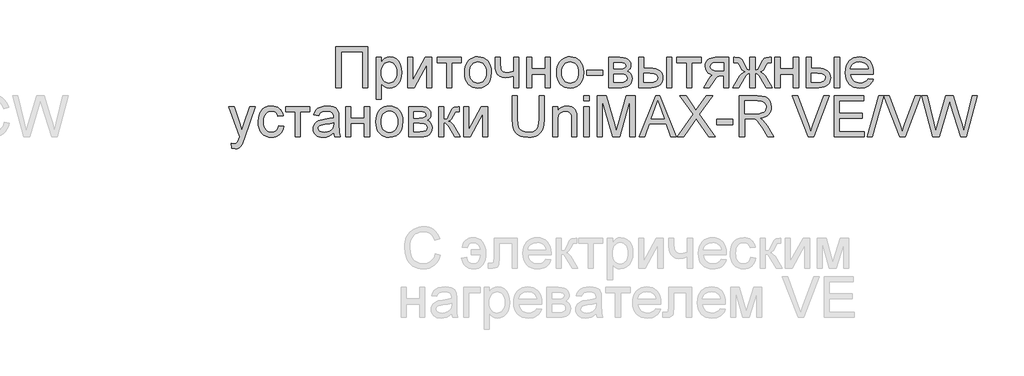
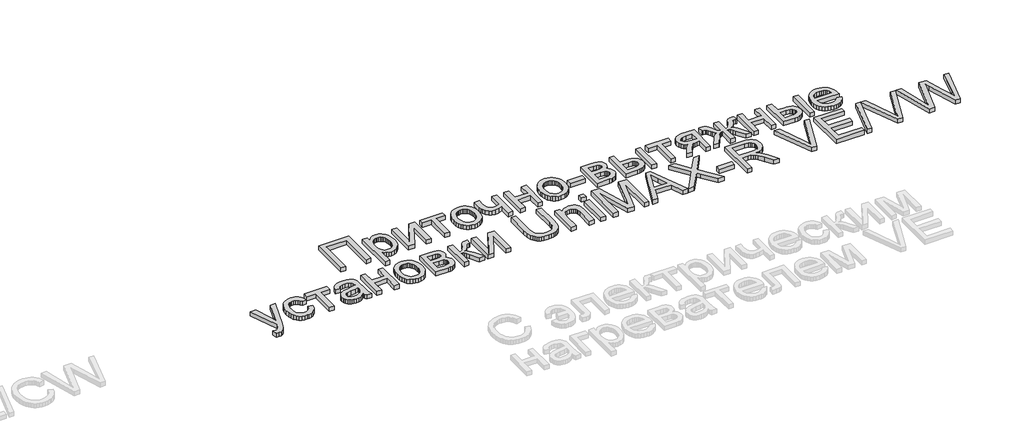
# One storey, part 53 of 74: 1 proxy.
"""IFC4 building model written with IfcOpenShell, lengths in millimetres."""

from ifc_helpers import new_model, si_unit, origin, origin_with_axes, place, context, project, spatial, polyline, outline, extrude, element, save

model = new_model("IFC4")

# Units and contexts
model_context = context("Model", 3, world=origin())
ifc_project = project(units=[si_unit("LENGTHUNIT", "METRE", prefix="MILLI")], contexts=[model_context])

# Site, building, storey
site = spatial("IfcSite", under=ifc_project)
building = spatial("IfcBuilding", under=site)
storey = spatial("IfcBuildingStorey", under=building, Elevation=0.0)

# Proxy
placement = place(None, origin())
element("IfcBuildingElementProxy", 1, Name="Generic Models", at=placement, inside=storey, context=model_context, shape_type="SweptSolid", body=[
    extrude(outline(polyline([(45266.2956204, -23404.5029647), (45617.589482, -23404.5029647), (45617.589482, -23854.1591075), (45561.3824642, -23854.1591075), (45561.3824642, -23460.7099826), (45322.5026383, -23460.7099826), (45322.5026383, -23854.1591075), (45266.2956204, -23854.1591075), (45266.2956204, -23404.5029647)])), origin_with_axes(), (0.0, 0.0, 1.0), 50.0),
    extrude(outline(polyline([(45708.925886, -23980.6248977), (45708.925886, -23523.9428777), (45765.1329039, -23523.9428777), (45765.1329039, -23579.0521022), (45783.4660523, -23551.8679952), (45803.9947873, -23532.4507759), (45827.9266816, -23520.8004443), (45856.4693079, -23516.9170004), (45894.4804015, -23522.3510774), (45927.7160942, -23538.6533081), (45954.7766995, -23564.8356787), (45974.2625308, -23599.9101752), (45986.0363642, -23641.3244281), (45989.9609753, -23686.526068), (45985.5286348, -23734.5956929), (45972.2316132, -23777.5880237), (45950.4953055, -23813.3211961), (45920.7451066, -23839.6133461), (45886.096005, -23855.7920751), (45849.6629893, -23861.1849848), (45823.8236791, -23857.5759892), (45800.756297, -23846.7490027), (45781.0097397, -23830.4056046), (45765.1329039, -23810.2473749), (45765.1329039, -23980.6248977), (45708.925886, -23980.6248977)]), holes=[polyline([(45765.1329039, -23691.6856966), (45766.6526615, -23718.7737467), (45771.2119344, -23742.0744098), (45778.8107225, -23761.5876861), (45789.4490259, -23777.3135753), (45802.255471, -23789.4167467), (45816.3586845, -23798.061869), (45831.7586664, -23803.2489425), (45848.4554167, -23804.9779669), (45865.3923092, -23803.1871916), (45881.0736006, -23797.8148655), (45895.4992909, -23788.8609888), (45908.6693801, -23776.3255613), (45919.6438827, -23760.0301918), (45927.4828131, -23739.7964887), (45932.1861713, -23715.6244521), (45933.7539574, -23687.514082), (45932.223908, -23660.6593129), (45927.6337597, -23637.399817), (45919.9835125, -23617.7355942), (45909.2731664, -23601.6666445), (45896.4358458, -23589.1792456), (45882.404675, -23580.2596749), (45867.1796539, -23574.9079324), (45850.7607826, -23573.1240183), (45834.3933704, -23575.0211424), (45818.9933885, -23580.7125146), (45804.560837, -23590.198135), (45791.0957158, -23603.4780035), (45779.7369856, -23620.3737288), (45771.6236069, -23640.7069194), (45766.7555796, -23664.4775753), (45765.1329039, -23691.6856966)])]), origin_with_axes(), (0.0, 0.0, 1.0), 50.0),
    extrude(outline(polyline([(46053.1938704, -23523.9428777), (46109.4008882, -23523.9428777), (46109.4008882, -23775.7766647), (46247.5032875, -23523.9428777), (46320.1772052, -23523.9428777), (46320.1772052, -23854.1591075), (46263.9701873, -23854.1591075), (46263.9701873, -23603.8622312), (46126.7460226, -23854.1591075), (46053.1938704, -23854.1591075), (46053.1938704, -23523.9428777)])), origin_with_axes(), (0.0, 0.0, 1.0), 50.0),
    extrude(outline(polyline([(46376.384223, -23523.9428777), (46643.3675578, -23523.9428777), (46643.3675578, -23580.1498955), (46537.9793993, -23580.1498955), (46537.9793993, -23854.1591075), (46481.7723815, -23854.1591075), (46481.7723815, -23580.1498955), (46376.384223, -23580.1498955), (46376.384223, -23523.9428777)])), origin_with_axes(), (0.0, 0.0, 1.0), 50.0),
    extrude(outline(polyline([(46678.496944, -23689.0509926), (46681.5364592, -23646.2850817), (46690.655005, -23609.4335323), (46705.8525812, -23578.4963443), (46727.1291879, -23553.4735179), (46748.54988, -23537.4800415), (46772.1936036, -23526.0561298), (46798.0603587, -23519.2017828), (46826.1501452, -23516.9170004), (46857.1593758, -23519.6992204), (46885.1977032, -23528.0458802), (46910.2651275, -23541.9569799), (46932.3616486, -23561.4325195), (46950.3963345, -23585.8138229), (46963.2782529, -23614.4422143), (46971.007404, -23647.3176935), (46973.5837877, -23684.4402607), (46969.0279454, -23741.22362), (46963.3331426, -23764.5311444), (46955.3604186, -23784.4492319), (46932.9791574, -23816.8204123), (46902.2821117, -23841.0404774), (46865.8216512, -23856.1488579), (46826.1501452, -23861.1849848), (46794.6880748, -23858.4130567), (46766.3890214, -23850.0972723), (46741.2529851, -23836.2376316), (46719.2799657, -23816.8341348), (46701.4373937, -23792.2161196), (46688.6926994, -23762.7129242), (46681.0458828, -23728.3245485), (46678.496944, -23689.0509926)]), holes=[polyline([(46734.7039618, -23688.9412133), (46736.3300682, -23716.2042242), (46741.2083872, -23739.8102111), (46749.338919, -23759.7591741), (46760.7216634, -23776.051113), (46774.5675817, -23788.7066116), (46790.0876347, -23797.7462534), (46807.2818225, -23803.1700386), (46826.1501452, -23804.9779669), (46844.9224109, -23803.1597467), (46862.0479866, -23797.7050862), (46877.5268724, -23788.6139853), (46891.3590682, -23775.886444), (46902.7418127, -23759.4332667), (46910.8723444, -23739.1652575), (46915.7506635, -23715.0824166), (46917.3767698, -23687.184744), (46915.7403717, -23660.7862453), (46910.8311772, -23637.7977671), (46902.6491864, -23618.2193094), (46891.1943992, -23602.0508722), (46877.3107444, -23589.3953736), (46861.8421504, -23580.3557318), (46844.7886173, -23574.9319467), (46826.1501452, -23573.1240183), (46807.2818225, -23574.9250854), (46790.0876347, -23580.3282869), (46774.5675817, -23589.3336227), (46760.7216634, -23601.9410929), (46749.338919, -23618.1850034), (46741.2083872, -23638.0996603), (46736.3300682, -23661.6850636), (46734.7039618, -23688.9412133)])]), origin_with_axes(), (0.0, 0.0, 1.0), 50.0),
    extrude(outline(polyline([(47015.7390511, -23523.9428777), (47071.9460689, -23523.9428777), (47071.9460689, -23587.2855521), (47076.5019112, -23646.6761706), (47084.2550765, -23663.9389705), (47098.4028879, -23678.8415148), (47117.9436089, -23689.1333271), (47141.8755033, -23692.5639312), (47176.2638789, -23688.3099821), (47219.4894908, -23675.5481348), (47219.4894908, -23523.9428777), (47275.6965086, -23523.9428777), (47275.6965086, -23854.1591075), (47219.4894908, -23854.1591075), (47219.4894908, -23729.4497867), (47171.5159228, -23743.9406585), (47126.8357348, -23748.7709491), (47092.8453092, -23743.7348222), (47063.1088327, -23728.6264417), (47039.9316713, -23706.2177356), (47025.6191909, -23679.2806321), (47018.209086, -23648.6247537), (47015.7390511, -23615.059723), (47015.7390511, -23523.9428777)])), origin_with_axes(), (0.0, 0.0, 1.0), 50.0),
    extrude(outline(polyline([(47360.0070354, -23523.9428777), (47416.2140533, -23523.9428777), (47416.2140533, -23650.4086678), (47563.7574751, -23650.4086678), (47563.7574751, -23523.9428777), (47619.964493, -23523.9428777), (47619.964493, -23854.1591075), (47563.7574751, -23854.1591075), (47563.7574751, -23706.6156857), (47416.2140533, -23706.6156857), (47416.2140533, -23854.1591075), (47360.0070354, -23854.1591075), (47360.0070354, -23523.9428777)])), origin_with_axes(), (0.0, 0.0, 1.0), 50.0),
    extrude(outline(polyline([(47690.2232653, -23689.0509926), (47693.2627806, -23646.2850817), (47702.3813263, -23609.4335323), (47717.5789025, -23578.4963443), (47738.8555093, -23553.4735179), (47760.2762014, -23537.4800415), (47783.9199249, -23526.0561298), (47809.78668, -23519.2017828), (47837.8764665, -23516.9170004), (47868.8856971, -23519.6992204), (47896.9240246, -23528.0458802), (47921.9914488, -23541.9569799), (47944.08797, -23561.4325195), (47962.1226558, -23585.8138229), (47975.0045743, -23614.4422143), (47982.7337253, -23647.3176935), (47985.310109, -23684.4402607), (47980.7542668, -23741.22362), (47975.0594639, -23764.5311444), (47967.08674, -23784.4492319), (47944.7054787, -23816.8204123), (47914.0084331, -23841.0404774), (47877.5479725, -23856.1488579), (47837.8764665, -23861.1849848), (47806.4143961, -23858.4130567), (47778.1153428, -23850.0972723), (47752.9793064, -23836.2376316), (47731.006287, -23816.8341348), (47713.163715, -23792.2161196), (47700.4190207, -23762.7129242), (47692.7722042, -23728.3245485), (47690.2232653, -23689.0509926)]), holes=[polyline([(47746.4302832, -23688.9412133), (47748.0563895, -23716.2042242), (47752.9347086, -23739.8102111), (47761.0652403, -23759.7591741), (47772.4479848, -23776.051113), (47786.293903, -23788.7066116), (47801.813956, -23797.7462534), (47819.0081439, -23803.1700386), (47837.8764665, -23804.9779669), (47856.6487322, -23803.1597467), (47873.774308, -23797.7050862), (47889.2531938, -23788.6139853), (47903.0853896, -23775.886444), (47914.468134, -23759.4332667), (47922.5986658, -23739.1652575), (47927.4769848, -23715.0824166), (47929.1030912, -23687.184744), (47927.466693, -23660.7862453), (47922.5574985, -23637.7977671), (47914.3755077, -23618.2193094), (47902.9207206, -23602.0508722), (47889.0370657, -23589.3953736), (47873.5684717, -23580.3557318), (47856.5149387, -23574.9319467), (47837.8764665, -23573.1240183), (47819.0081439, -23574.9250854), (47801.813956, -23580.3282869), (47786.293903, -23589.3336227), (47772.4479848, -23601.9410929), (47761.0652403, -23618.1850034), (47752.9347086, -23638.0996603), (47748.0563895, -23661.6850636), (47746.4302832, -23688.9412133)])]), origin_with_axes(), (0.0, 0.0, 1.0), 50.0),
    extrude(outline(polyline([(48020.4394952, -23720.6674401), (48020.4394952, -23664.4604223), (48196.086426, -23664.4604223), (48196.086426, -23720.6674401), (48020.4394952, -23720.6674401)])), origin_with_axes(), (0.0, 0.0, 1.0), 50.0),
    extrude(outline(polyline([(48259.3193211, -23523.9428777), (48383.1504073, -23523.9428777), (48422.9591374, -23525.8228487), (48451.0489239, -23531.4627619), (48471.7148831, -23542.1113571), (48489.2521314, -23559.0173742), (48501.231801, -23581.0418526), (48505.2250242, -23607.0458318), (48502.8098789, -23627.9999617), (48495.564443, -23646.0723842), (48483.4612716, -23661.3454338), (48466.4729201, -23673.9014448), (48487.2761034, -23685.5792212), (48504.2370102, -23704.3652094), (48515.5168365, -23728.7773883), (48519.2767786, -23757.333737), (48516.1549289, -23780.3393682), (48509.7534216, -23800.1751212), (48500.0722568, -23816.840996), (48487.1114344, -23830.3369926), (48470.8503709, -23840.7591679), (48451.2684826, -23848.2035788), (48428.3657695, -23852.6702254), (48402.1422317, -23854.1591075), (48259.3193211, -23854.1591075), (48259.3193211, -23523.9428777)]), holes=[polyline([(48315.5263389, -23797.9520897), (48384.4677592, -23797.9520897), (48422.0397355, -23795.4134426), (48445.614847, -23787.7975015), (48458.266915, -23773.9515833), (48463.0697608, -23752.723005), (48460.6683379, -23738.6575281), (48453.4640692, -23725.6623997), (48442.4038016, -23715.4940891), (48428.4343816, -23709.9090656), (48378.9787927, -23706.6156857), (48315.5263389, -23706.6156857), (48315.5263389, -23797.9520897)]), polyline([(48315.5263389, -23650.4086678), (48371.0746808, -23650.4086678), (48416.9075518, -23647.5544052), (48439.1927561, -23636.1373547), (48446.5616938, -23626.6963322), (48449.0180063, -23615.4988403), (48444.7091675, -23598.7300474), (48431.7826512, -23587.9442281), (48408.4270984, -23582.0984787), (48372.8311501, -23580.1498955), (48315.5263389, -23580.1498955), (48315.5263389, -23650.4086678)])]), origin_with_axes(), (0.0, 0.0, 1.0), 50.0),
    extrude(outline(polyline([(48898.6741491, -23523.9428777), (48954.881167, -23523.9428777), (48954.881167, -23854.1591075), (48898.6741491, -23854.1591075), (48898.6741491, -23523.9428777)])), origin_with_axes(), (0.0, 0.0, 1.0), 50.0),
    extrude(outline(polyline([(48589.5355509, -23523.9428777), (48645.7425688, -23523.9428777), (48645.7425688, -23643.3827906), (48715.2328858, -23643.3827906), (48747.2095468, -23645.1426905), (48775.2959027, -23650.4223903), (48799.4919535, -23659.2218898), (48819.7976993, -23671.5411892), (48835.8632184, -23686.9548935), (48847.3385891, -23705.0376078), (48854.2238116, -23725.7893321), (48856.5188857, -23749.2100664), (48854.5943168, -23770.1058761), (48848.8206101, -23789.4304691), (48839.1977656, -23807.1838454), (48825.7257832, -23823.366005), (48808.0272965, -23836.8379874), (48785.7249392, -23846.4608319), (48758.8187111, -23852.2345386), (48727.3086123, -23854.1591075), (48589.5355509, -23854.1591075), (48589.5355509, -23523.9428777)]), holes=[polyline([(48645.7425688, -23797.9520897), (48703.4864973, -23797.9520897), (48748.2490198, -23795.0017702), (48778.0266635, -23786.1508115), (48794.7405668, -23771.042431), (48800.3118679, -23749.3198457), (48796.1814205, -23730.9592525), (48783.7900785, -23714.7393562), (48773.0351346, -23708.1114291), (48757.2920923, -23703.3771954), (48710.8417125, -23699.5898085), (48645.7425688, -23699.5898085), (48645.7425688, -23797.9520897)])]), origin_with_axes(), (0.0, 0.0, 1.0), 50.0),
    extrude(outline(polyline([(49011.0881848, -23523.9428777), (49278.0715196, -23523.9428777), (49278.0715196, -23580.1498955), (49172.6833612, -23580.1498955), (49172.6833612, -23854.1591075), (49116.4763433, -23854.1591075), (49116.4763433, -23580.1498955), (49011.0881848, -23580.1498955), (49011.0881848, -23523.9428777)])), origin_with_axes(), (0.0, 0.0, 1.0), 50.0),
    extrude(outline(polyline([(49580.1842406, -23523.9428777), (49580.1842406, -23854.1591075), (49523.9772227, -23854.1591075), (49523.9772227, -23727.6933174), (49493.3487892, -23727.6933174), (49468.9228879, -23729.4772315), (49451.6326431, -23734.8289739), (49434.9736295, -23750.3901942), (49412.4414217, -23782.8025419), (49367.6514543, -23854.1591075), (49302.6620899, -23854.1591075), (49359.0886665, -23763.9204969), (49384.0085748, -23731.535594), (49395.7275184, -23722.0945715), (49406.9524551, -23717.1545015), (49386.3139407, -23712.5917981), (49368.529689, -23705.3806682), (49353.5996999, -23695.521112), (49341.5239734, -23683.0131294), (49325.5510806, -23653.2629305), (49320.226783, -23619.341117), (49322.0450032, -23599.1005527), (49327.4996637, -23580.8634612), (49336.5907647, -23564.6298425), (49349.3183059, -23550.3996966), (49365.4901737, -23538.8248383), (49384.9142542, -23530.5570824), (49407.5905475, -23525.5964289), (49433.5190534, -23523.9428777), (49580.1842406, -23523.9428777)]), holes=[polyline([(49523.9772227, -23580.1498955), (49449.8761738, -23580.1498955), (49411.6043543, -23583.4021082), (49398.6744074, -23587.4673741), (49389.881769, -23593.1587463), (49379.7957929, -23607.2791129), (49376.4338009, -23623.6225109), (49381.3875932, -23645.043203), (49396.2489703, -23659.90458), (49423.7075256, -23668.5908697), (49466.4528529, -23671.4862995), (49523.9772227, -23671.4862995), (49523.9772227, -23580.1498955)])]), origin_with_axes(), (0.0, 0.0, 1.0), 50.0),
    extrude(outline(polyline([(49868.2452071, -23523.9428777), (49868.2452071, -23664.4604223), (49888.0740989, -23661.5649924), (49901.0143376, -23652.8787028), (49932.0269988, -23592.7745187), (49951.375606, -23555.3123217), (49969.0226336, -23535.1403695), (49990.4570481, -23526.7422506), (50021.6069335, -23523.9428777), (50043.8921379, -23523.9428777), (50043.8921379, -23580.4792335), (50028.4132521, -23580.1498955), (50009.860545, -23581.6044717), (49999.4315085, -23585.9682001), (49979.3418908, -23622.4149382), (49967.1975522, -23646.8408396), (49956.0137828, -23662.374615), (49942.3325336, -23672.9957653), (49922.6957556, -23682.6837914), (49941.1867118, -23690.5947645), (49959.4443869, -23704.5573232), (49977.468781, -23724.5714676), (49995.2598939, -23750.6371977), (50057.9438923, -23854.1591075), (49993.5034246, -23854.1591075), (49931.8074402, -23752.064329), (49914.9425903, -23725.2644497), (49900.3556616, -23709.6346173), (49885.6040639, -23702.1010107), (49868.2452071, -23699.5898085), (49868.2452071, -23854.1591075), (49812.0381892, -23854.1591075), (49812.0381892, -23699.5898085), (49794.8165566, -23702.046121), (49780.037514, -23709.4150586), (49765.340806, -23724.9351117), (49748.3661768, -23751.8447704), (49686.6701924, -23854.1591075), (49622.339504, -23854.1591075), (49684.8039437, -23750.6371977), (49702.7460033, -23724.5714676), (49720.893899, -23704.5573232), (49739.2476311, -23690.5947645), (49757.8071993, -23682.6837914), (49736.34534, -23671.9254169), (49722.4582545, -23660.2888077), (49709.8336314, -23639.8424072), (49692.159159, -23602.6546585), (49684.9960576, -23590.2770389), (49677.3389492, -23583.6628341), (49653.0777169, -23579.8205575), (49636.3912584, -23580.1498955), (49636.3912584, -23523.9428777), (49644.844267, -23523.9428777), (49694.1351869, -23527.4558163), (49707.6654896, -23532.9447829), (49719.7137712, -23542.3858054), (49732.5305082, -23560.691509), (49748.3661768, -23592.7745187), (49779.0495, -23652.4944751), (49791.9897388, -23661.4689355), (49812.0381892, -23664.4604223), (49812.0381892, -23523.9428777), (49868.2452071, -23523.9428777)])), origin_with_axes(), (0.0, 0.0, 1.0), 50.0),
    extrude(outline(polyline([(50086.0474013, -23523.9428777), (50142.2544191, -23523.9428777), (50142.2544191, -23650.4086678), (50289.797841, -23650.4086678), (50289.797841, -23523.9428777), (50346.0048588, -23523.9428777), (50346.0048588, -23854.1591075), (50289.797841, -23854.1591075), (50289.797841, -23706.6156857), (50142.2544191, -23706.6156857), (50142.2544191, -23854.1591075), (50086.0474013, -23854.1591075), (50086.0474013, -23523.9428777)])), origin_with_axes(), (0.0, 0.0, 1.0), 50.0),
    extrude(outline(polyline([(50739.4539838, -23523.9428777), (50795.6610016, -23523.9428777), (50795.6610016, -23854.1591075), (50739.4539838, -23854.1591075), (50739.4539838, -23523.9428777)])), origin_with_axes(), (0.0, 0.0, 1.0), 50.0),
    extrude(outline(polyline([(50430.3153856, -23523.9428777), (50486.5224035, -23523.9428777), (50486.5224035, -23643.3827906), (50556.0127204, -23643.3827906), (50587.9893814, -23645.1426905), (50616.0757373, -23650.4223903), (50640.2717882, -23659.2218898), (50660.5775339, -23671.5411892), (50676.643053, -23686.9548935), (50688.1184238, -23705.0376078), (50695.0036462, -23725.7893321), (50697.2987204, -23749.2100664), (50695.3741515, -23770.1058761), (50689.6004448, -23789.4304691), (50679.9776002, -23807.1838454), (50666.5056178, -23823.366005), (50648.8071312, -23836.8379874), (50626.5047738, -23846.4608319), (50599.5985458, -23852.2345386), (50568.0884469, -23854.1591075), (50430.3153856, -23854.1591075), (50430.3153856, -23523.9428777)]), holes=[polyline([(50486.5224035, -23797.9520897), (50544.2663319, -23797.9520897), (50589.0288545, -23795.0017702), (50618.8064982, -23786.1508115), (50635.5204015, -23771.042431), (50641.0917025, -23749.3198457), (50636.9612552, -23730.9592525), (50624.5699131, -23714.7393562), (50613.8149692, -23708.1114291), (50598.0719269, -23703.3771954), (50551.6215472, -23699.5898085), (50486.5224035, -23699.5898085), (50486.5224035, -23797.9520897)])]), origin_with_axes(), (0.0, 0.0, 1.0), 50.0),
    extrude(outline(polyline([(51111.1668011, -23755.7968263), (51166.2760256, -23762.8227035), (51157.8264477, -23784.8952104), (51146.419689, -23804.3467358), (51132.0557495, -23821.1772796), (51114.7346293, -23835.3868418), (51094.6347198, -23846.6735294), (51071.9344124, -23854.735449), (51046.633707, -23859.5726008), (51018.7326037, -23861.1849848), (50983.8570823, -23858.4027648), (50952.7826702, -23850.056105), (50925.5093675, -23836.1450053), (50902.0371741, -23816.6694658), (50883.1619902, -23792.1715218), (50869.6797161, -23763.1932088), (50861.5903516, -23729.7345268), (50858.8938967, -23691.7954759), (50861.6177964, -23652.5699484), (50869.7894954, -23617.9963201), (50883.4089937, -23588.074591), (50902.4762914, -23562.8047611), (50925.8867339, -23542.7288658), (50952.5356667, -23528.3889406), (50982.4230898, -23519.7849855), (51015.5490031, -23516.9170004), (51047.6079986, -23519.7781243), (51076.600034, -23528.3614958), (51102.5251093, -23542.6671149), (51125.3832245, -23562.6949818), (51144.0422803, -23587.909922), (51157.3701773, -23617.7767615), (51165.3669155, -23652.2955001), (51168.0324949, -23691.4661379), (51167.7031569, -23706.6156857), (50915.1009146, -23706.6156857), (50918.3565579, -23729.0449754), (50924.8301079, -23748.6886146), (50934.5215645, -23765.5466032), (50947.4309278, -23779.6189413), (50962.8446321, -23790.713515), (50980.0491117, -23798.6382105), (50999.0443667, -23803.3930278), (51019.8303971, -23804.9779669), (51049.745265, -23802.0413698), (51074.9396216, -23793.2315784), (51095.413467, -23777.9996962), (51111.1668011, -23755.7968263)]), holes=[polyline([(50915.1009146, -23650.4086678), (51111.8254771, -23650.4086678), (51104.2232583, -23620.7133586), (51089.3207141, -23599.4710579), (51073.9927749, -23587.9442281), (51056.5515835, -23579.7107782), (51036.9971401, -23574.7707083), (51015.3294445, -23573.1240183), (50977.4418526, -23578.3797038), (50946.1135758, -23594.1467603), (50933.6570522, -23605.5466578), (50924.3361009, -23618.7236082), (50918.1507216, -23633.6776116), (50915.1009146, -23650.4086678)])]), origin_with_axes(), (0.0, 0.0, 1.0), 50.0),
    extrude(outline(polyline([(44124.5905703, -24521.0569809), (44117.5646931, -24466.9357703), (44146.1073193, -24471.8758403), (44161.1196429, -24470.3252072), (44172.7836969, -24465.673308), (44189.1408174, -24448.3830633), (44204.5099238, -24406.9962552), (44208.9010971, -24393.3836181), (44089.4611842, -24064.3749608), (44148.7420233, -24064.3749608), (44212.0846977, -24247.7064449), (44234.1503434, -24321.0390385), (44256.2159891, -24256.2692327), (44321.3151328, -24064.3749608), (44380.1568546, -24064.3749608), (44265.2178943, -24402.4953026), (44235.357916, -24475.8278962), (44220.0711441, -24499.2383387), (44202.7534545, -24515.458235), (44182.636392, -24524.9267023), (44158.9515011, -24528.0828581), (44124.5905703, -24521.0569809)])), origin_with_axes(), (0.0, 0.0, 1.0), 50.0),
    extrude(outline(polyline([(44637.4796082, -24275.1512778), (44693.6866261, -24282.177155), (44687.5732895, -24308.6991555), (44678.0156265, -24332.1679182), (44665.0136369, -24352.5834433), (44648.5673207, -24369.9457308), (44629.3696601, -24383.8019408), (44608.113637, -24393.6992337), (44584.7992514, -24399.6376094), (44559.4265033, -24401.617068), (44527.9026821, -24398.8554316), (44499.6379348, -24390.5705227), (44474.6322614, -24376.7623411), (44452.8856619, -24357.4308869), (44435.2832322, -24332.9398041), (44422.7100681, -24303.6527368), (44415.1661696, -24269.5696849), (44412.6515368, -24230.6906484), (44416.9466532, -24180.6724404), (44429.8320022, -24137.3233268), (44439.5474731, -24118.5682141), (44451.5134202, -24102.3174424), (44465.7298437, -24088.5710117), (44482.1967435, -24077.328922), (44518.9042075, -24062.3440432), (44558.658048, -24057.3490836), (44583.5951093, -24059.0643857), (44606.1513314, -24064.2102918), (44626.3267142, -24072.7868021), (44644.1212578, -24084.7939165), (44659.2330689, -24099.9571867), (44671.3602545, -24118.0021644), (44680.5028144, -24138.9288495), (44686.6607488, -24162.7372421), (44630.453731, -24169.7631193), (44620.2579755, -24145.2411611), (44604.3811397, -24127.6627456), (44583.7014581, -24117.0827625), (44559.0971653, -24113.5561015), (44539.9989922, -24115.2919871), (44522.773929, -24120.4996442), (44507.4219755, -24129.1790726), (44493.943132, -24141.3302724), (44482.9686294, -24157.2345531), (44475.129699, -24177.1732242), (44470.4263407, -24201.1462858), (44468.8585547, -24229.1537378), (44470.3920347, -24257.5831541), (44474.9924748, -24281.8340946), (44482.659875, -24301.9065593), (44493.3942353, -24317.8005482), (44506.6054918, -24329.8797053), (44521.7035805, -24338.5076746), (44538.6885015, -24343.6844562), (44557.5602547, -24345.4100501), (44586.6655, -24341.1012113), (44610.5287823, -24328.174695), (44627.8876391, -24306.3011632), (44637.4796082, -24275.1512778)])), origin_with_axes(), (0.0, 0.0, 1.0), 50.0),
    extrude(outline(polyline([(44714.7642578, -24064.3749608), (44981.7475926, -24064.3749608), (44981.7475926, -24120.5819787), (44876.3594341, -24120.5819787), (44876.3594341, -24394.5911907), (44820.1524162, -24394.5911907), (44820.1524162, -24120.5819787), (44714.7642578, -24120.5819787), (44714.7642578, -24064.3749608)])), origin_with_axes(), (0.0, 0.0, 1.0), 50.0),
    extrude(outline(polyline([(45241.7050501, -24352.4359273), (45214.8502811, -24375.4621422), (45187.1996119, -24390.5293555), (45158.1218114, -24398.8451398), (45126.9856485, -24401.617068), (45101.9593914, -24399.9497944), (45080.0138169, -24394.9479736), (45061.1489248, -24386.6116056), (45045.3647153, -24374.9406903), (45032.9013305, -24360.6762384), (45023.9989129, -24344.5592603), (45018.6574623, -24326.5897559), (45016.8769787, -24306.7677253), (45019.5665723, -24283.4670622), (45027.6353532, -24262.307096), (45040.081585, -24244.1935062), (45055.9035311, -24230.0319724), (45074.4974055, -24219.3284876), (45095.2594216, -24211.5890447), (45143.8916655, -24203.1360362), (45201.3611457, -24194.2439103), (45241.3757121, -24183.8148738), (45241.7050501, -24171.30003), (45237.8353287, -24146.2154527), (45226.2261643, -24129.8034426), (45200.2633524, -24117.6179367), (45164.0910626, -24113.5561015), (45130.6083664, -24116.2594175), (45107.2253687, -24124.3693656), (45091.2799208, -24139.3679668), (45080.1098738, -24162.7372421), (45023.9028559, -24155.7113649), (45033.6594941, -24124.973152), (45048.2189779, -24100.821699), (45068.9398268, -24082.3513264), (45097.1805599, -24068.6563548), (45131.7198821, -24060.1759014), (45171.3364985, -24057.3490836), (45209.3338697, -24059.8465634), (45239.4545738, -24067.3390028), (45262.1651731, -24078.6051067), (45277.9322296, -24092.4235801), (45288.3887109, -24109.5079886), (45295.1675847, -24130.5718979), (45297.912068, -24179.7530385), (45297.912068, -24249.6824728), (45300.7663306, -24347.3311884), (45311.9638224, -24394.5911907), (45255.7568046, -24394.5911907), (45246.7548994, -24375.0504697), (45241.7050501, -24352.4359273)]), holes=[polyline([(45241.7050501, -24240.0218916), (45203.94096, -24249.3805797), (45151.0273221, -24257.2572467), (45102.6695265, -24266.3689313), (45090.0860706, -24272.5989083), (45080.7685498, -24281.189141), (45075.0051349, -24291.4809534), (45073.0839966, -24302.8156694), (45077.2693336, -24319.5295726), (45089.8253447, -24333.2245443), (45110.4775814, -24342.3636737), (45138.9515956, -24345.4100501), (45169.1409118, -24342.0480581), (45195.8172895, -24331.962082), (45217.4438178, -24317.1007049), (45232.4835863, -24299.4125101), (45239.1526807, -24281.189141), (45241.3757121, -24255.9398947), (45241.7050501, -24240.0218916)])]), origin_with_axes(), (0.0, 0.0, 1.0), 50.0),
    extrude(outline(polyline([(45375.1967175, -24064.3749608), (45431.4037354, -24064.3749608), (45431.4037354, -24190.840751), (45578.9471572, -24190.840751), (45578.9471572, -24064.3749608), (45635.1541751, -24064.3749608), (45635.1541751, -24394.5911907), (45578.9471572, -24394.5911907), (45578.9471572, -24247.0477689), (45431.4037354, -24247.0477689), (45431.4037354, -24394.5911907), (45375.1967175, -24394.5911907), (45375.1967175, -24064.3749608)])), origin_with_axes(), (0.0, 0.0, 1.0), 50.0),
    extrude(outline(polyline([(45705.4129474, -24229.4830758), (45708.4524627, -24186.7171649), (45717.5710084, -24149.8656154), (45732.7685846, -24118.9284275), (45754.0451914, -24093.9056011), (45775.4658835, -24077.9121247), (45799.109607, -24066.488213), (45824.9763621, -24059.633866), (45853.0661486, -24057.3490836), (45884.0753792, -24060.1313036), (45912.1137067, -24068.4779634), (45937.1811309, -24082.3890631), (45959.2776521, -24101.8646026), (45977.3123379, -24126.2459061), (45990.1942564, -24154.8742975), (45997.9234074, -24187.7497767), (46000.4997911, -24224.8723439), (45995.9439489, -24281.6557032), (45990.249146, -24304.9632276), (45982.2764221, -24324.8813151), (45959.8951608, -24357.2524955), (45929.1981152, -24381.4725606), (45892.7376546, -24396.5809411), (45853.0661486, -24401.617068), (45821.6040782, -24398.8451398), (45793.3050249, -24390.5293555), (45768.1689885, -24376.6697148), (45746.1959691, -24357.2662179), (45728.3533971, -24332.6482028), (45715.6087028, -24303.1450074), (45707.9618863, -24268.7566317), (45705.4129474, -24229.4830758)]), holes=[polyline([(45761.6199653, -24229.3732965), (45763.2460716, -24256.6363074), (45768.1243907, -24280.2422943), (45776.2549224, -24300.1912572), (45787.6376669, -24316.4831962), (45801.4835851, -24329.1386948), (45817.0036381, -24338.1783366), (45834.197826, -24343.6021217), (45853.0661486, -24345.4100501), (45871.8384143, -24343.5918299), (45888.9639901, -24338.1371694), (45904.4428759, -24329.0460685), (45918.2750717, -24316.3185272), (45929.6578161, -24299.8653498), (45937.7883479, -24279.5973407), (45942.6666669, -24255.5144998), (45944.2927733, -24227.6168271), (45942.6563751, -24201.2183285), (45937.7471806, -24178.2298503), (45929.5651898, -24158.6513926), (45918.1104027, -24142.4829554), (45904.2267478, -24129.8274568), (45888.7581538, -24120.7878149), (45871.7046208, -24115.3640298), (45853.0661486, -24113.5561015), (45834.197826, -24115.3571686), (45817.0036381, -24120.7603701), (45801.4835851, -24129.7657059), (45787.6376669, -24142.373176), (45776.2549224, -24158.6170865), (45768.1243907, -24178.5317434), (45763.2460716, -24202.1171467), (45761.6199653, -24229.3732965)])]), origin_with_axes(), (0.0, 0.0, 1.0), 50.0),
    extrude(outline(polyline([(46063.7326862, -24064.3749608), (46187.5637724, -24064.3749608), (46227.3725026, -24066.2549319), (46255.4622891, -24071.8948451), (46276.1282483, -24082.5434402), (46293.6654965, -24099.4494573), (46305.6451661, -24121.4739358), (46309.6383893, -24147.477915), (46307.223244, -24168.4320449), (46299.9778081, -24186.5044674), (46287.8746368, -24201.7775169), (46270.8862852, -24214.333528), (46291.6894686, -24226.0113044), (46308.6503753, -24244.7972926), (46319.9302017, -24269.2094715), (46323.6901438, -24297.7658201), (46320.568294, -24320.7714513), (46314.1667867, -24340.6072043), (46304.4856219, -24357.2730791), (46291.5247996, -24370.7690757), (46275.2637361, -24381.191251), (46255.6818478, -24388.635662), (46232.7791347, -24393.1023085), (46206.5555968, -24394.5911907), (46063.7326862, -24394.5911907), (46063.7326862, -24064.3749608)]), holes=[polyline([(46119.9397041, -24190.840751), (46175.4880459, -24190.840751), (46221.3209169, -24187.9864884), (46243.6061213, -24176.5694379), (46250.9750589, -24167.1284154), (46253.4313715, -24155.9309235), (46249.1225327, -24139.1621306), (46236.1960164, -24128.3763113), (46212.8404635, -24122.5305618), (46177.2445152, -24120.5819787), (46119.9397041, -24120.5819787), (46119.9397041, -24190.840751)]), polyline([(46119.9397041, -24338.3841729), (46188.8811244, -24338.3841729), (46226.4531007, -24335.8455258), (46250.0282122, -24328.2295847), (46262.6802802, -24314.3836665), (46267.4831259, -24293.1550882), (46265.081703, -24279.0896113), (46257.8774344, -24266.0944829), (46246.8171667, -24255.9261723), (46232.8477468, -24250.3411488), (46183.3921578, -24247.0477689), (46119.9397041, -24247.0477689), (46119.9397041, -24338.3841729)])]), origin_with_axes(), (0.0, 0.0, 1.0), 50.0),
    extrude(outline(polyline([(46393.9489161, -24064.3749608), (46450.1559339, -24064.3749608), (46450.1559339, -24204.8925055), (46473.0174798, -24202.3675808), (46487.8102447, -24194.792807), (46500.90143, -24175.0325272), (46518.658237, -24135.9510851), (46532.9707173, -24103.9915772), (46544.2917109, -24085.1781442), (46554.8579716, -24074.9274991), (46566.9062533, -24068.6563548), (46608.018613, -24064.3749608), (46618.7769875, -24064.3749608), (46618.7769875, -24120.9113167), (46603.6274397, -24120.5819787), (46586.0627466, -24122.0639997), (46576.1826068, -24126.5100626), (46556.8614444, -24163.5056974), (46544.9915542, -24188.1648798), (46534.1920124, -24203.5202638), (46521.1145495, -24213.7709089), (46502.4108959, -24223.1158745), (46520.2225924, -24231.0268476), (46537.86962, -24244.9894064), (46555.3519786, -24265.0035508), (46572.6696682, -24291.0692809), (46632.828742, -24394.5911907), (46568.9371709, -24394.5911907), (46509.9856697, -24293.2648675), (46494.0676666, -24266.3003192), (46480.3452502, -24250.3960385), (46466.4856095, -24242.6154283), (46450.1559339, -24240.0218916), (46450.1559339, -24394.5911907), (46393.9489161, -24394.5911907), (46393.9489161, -24064.3749608)])), origin_with_axes(), (0.0, 0.0, 1.0), 50.0),
    extrude(outline(polyline([(46667.9581281, -24064.3749608), (46724.165146, -24064.3749608), (46724.165146, -24316.2087479), (46862.2675453, -24064.3749608), (46934.9414629, -24064.3749608), (46934.9414629, -24394.5911907), (46878.7344451, -24394.5911907), (46878.7344451, -24144.2943144), (46741.5102804, -24394.5911907), (46667.9581281, -24394.5911907), (46667.9581281, -24064.3749608)])), origin_with_axes(), (0.0, 0.0, 1.0), 50.0),
    extrude(outline(polyline([(47497.0116414, -23944.9350479), (47553.2186593, -23944.9350479), (47553.2186593, -24204.3436088), (47549.4038275, -24265.0927465), (47537.9593322, -24311.8724643), (47528.7996192, -24330.843705), (47516.5798073, -24347.9624196), (47501.2998966, -24363.2286079), (47482.959887, -24376.64227), (47461.5391949, -24387.5687441), (47437.0172366, -24395.3733685), (47409.3940123, -24400.0561431), (47378.6695218, -24401.617068), (47321.5979917, -24396.182991), (47297.3539124, -24389.3903949), (47275.970957, -24379.8807603), (47257.4456947, -24367.794742), (47241.7746951, -24353.2729947), (47228.9579582, -24336.3155186), (47218.9954838, -24316.9223135), (47206.1924692, -24268.1665678), (47201.9247977, -24204.3436088), (47201.9247977, -23944.9350479), (47258.1318156, -23944.9350479), (47258.1318156, -24202.3675808), (47260.9037437, -24252.8797959), (47269.2195281, -24288.0503493), (47284.2867414, -24312.4076385), (47307.3129562, -24330.480061), (47337.3376034, -24341.6775528), (47373.4001139, -24345.4100501), (47404.3784691, -24343.5643851), (47430.5677009, -24338.02739), (47451.9678094, -24328.799065), (47468.5787945, -24315.8794099), (47481.018165, -24297.7109305), (47489.9034297, -24272.7361325), (47495.2345885, -24240.955016), (47497.0116414, -24202.3675808), (47497.0116414, -23944.9350479)])), origin_with_axes(), (0.0, 0.0, 1.0), 50.0),
    extrude(outline(polyline([(47644.5550633, -24394.5911907), (47644.5550633, -24064.3749608), (47700.7620812, -24064.3749608), (47700.7620812, -24110.4822802), (47720.2890798, -24087.2365067), (47743.7406895, -24070.6323828), (47771.1169104, -24060.6699084), (47802.4177423, -24057.3490836), (47830.1233012, -24060.0249548), (47855.4960492, -24068.0525685), (47876.6560154, -24080.4301881), (47891.7232287, -24096.1560774), (47901.946429, -24115.189069), (47908.5743561, -24137.4879958), (47911.5383981, -24191.828765), (47911.5383981, -24394.5911907), (47855.3313802, -24394.5911907), (47855.3313802, -24199.4035389), (47853.7121351, -24170.3394608), (47848.8543997, -24149.6735016), (47839.8936617, -24134.8670142), (47825.965409, -24123.3813517), (47808.1125452, -24116.012414), (47787.3779739, -24113.5561015), (47754.4578968, -24119.0725129), (47726.3955551, -24135.6217471), (47715.1809103, -24149.1314662), (47707.1704496, -24167.5949775), (47702.3641733, -24191.0122812), (47700.7620812, -24219.3833773), (47700.7620812, -24394.5911907), (47644.5550633, -24394.5911907)])), origin_with_axes(), (0.0, 0.0, 1.0), 50.0),
    extrude(outline(polyline([(47988.8230476, -24394.5911907), (47988.8230476, -24064.3749608), (48045.0300655, -24064.3749608), (48045.0300655, -24394.5911907), (47988.8230476, -24394.5911907)])), origin_with_axes(), (0.0, 0.0, 1.0), 50.0),
    extrude(outline(polyline([(47988.8230476, -24001.1420658), (47988.8230476, -23944.9350479), (48045.0300655, -23944.9350479), (48045.0300655, -24001.1420658), (47988.8230476, -24001.1420658)])), origin_with_axes(), (0.0, 0.0, 1.0), 50.0),
    extrude(outline(polyline([(48136.3664695, -24394.5911907), (48136.3664695, -23944.9350479), (48233.0820608, -23944.9350479), (48325.0771408, -24261.8679786), (48343.6298478, -24328.0649157), (48363.7194655, -24256.3790121), (48454.1776349, -23944.9350479), (48550.8932262, -23944.9350479), (48550.8932262, -24394.5911907), (48494.6862083, -24394.5911907), (48494.6862083, -24001.1420658), (48381.723276, -24394.5911907), (48305.5364197, -24394.5911907), (48192.5734874, -24001.1420658), (48192.5734874, -24394.5911907), (48136.3664695, -24394.5911907)])), origin_with_axes(), (0.0, 0.0, 1.0), 50.0),
    extrude(outline(polyline([(48596.8907662, -24394.5911907), (48776.3799736, -23944.9350479), (48824.2437622, -23944.9350479), (49003.7329696, -24394.5911907), (48944.3423511, -24394.5911907), (48892.8558445, -24254.0736461), (48707.6581119, -24254.0736461), (48656.2813846, -24394.5911907), (48596.8907662, -24394.5911907)]), holes=[polyline([(48728.2966263, -24197.8666282), (48872.3271095, -24197.8666282), (48831.8185361, -24087.3188412), (48800.3118679, -24001.1420658), (48772.3181383, -24077.65826), (48728.2966263, -24197.8666282)])]), origin_with_axes(), (0.0, 0.0, 1.0), 50.0),
    extrude(outline(polyline([(49014.6011234, -24394.5911907), (49187.9426883, -24149.5637223), (49042.7046324, -23944.9350479), (49110.1091421, -23944.9350479), (49191.8947442, -24060.0935669), (49219.4493565, -24104.9933136), (49251.72448, -24059.3251116), (49332.6318475, -23944.9350479), (49401.0243712, -23944.9350479), (49255.7863153, -24150.2223983), (49429.1278801, -24394.5911907), (49361.7233704, -24394.5911907), (49246.2355134, -24231.6786624), (49222.1938398, -24197.8666282), (49195.7370208, -24234.9720424), (49082.9936471, -24394.5911907), (49014.6011234, -24394.5911907)])), origin_with_axes(), (0.0, 0.0, 1.0), 50.0),
    extrude(outline(polyline([(49450.2055118, -24261.0995233), (49450.2055118, -24204.8925055), (49625.8524426, -24204.8925055), (49625.8524426, -24261.0995233), (49450.2055118, -24261.0995233)])), origin_with_axes(), (0.0, 0.0, 1.0), 50.0),
    extrude(outline(polyline([(49696.1112149, -24394.5911907), (49696.1112149, -23944.9350479), (49889.8717354, -23944.9350479), (49941.9483059, -23947.9677019), (49979.8358978, -23957.0656641), (50007.5277342, -23973.8619018), (50029.0170384, -23999.9893828), (50042.808067, -24032.3880081), (50047.4050765, -24067.9976788), (50045.5010912, -24091.0925057), (50039.7891353, -24112.2936392), (50030.2692089, -24131.6010791), (50016.9413119, -24149.0148256), (49999.6339142, -24163.9791208), (49978.1754854, -24175.9382067), (49952.5660257, -24184.8920835), (49922.805535, -24190.840751), (49954.7513205, -24214.8824247), (50000.3097432, -24272.7361325), (50075.2890267, -24394.5911907), (50009.9703244, -24394.5911907), (49951.4579405, -24301.3885381), (49909.1928978, -24239.6925536), (49893.480731, -24221.7024656), (49879.4975886, -24210.5461411), (49852.7663213, -24199.8426562), (49820.1618598, -24197.8666282), (49752.3182328, -24197.8666282), (49752.3182328, -24394.5911907), (49696.1112149, -24394.5911907)]), holes=[polyline([(49752.3182328, -24141.6596104), (49878.1253469, -24141.6596104), (49914.2564695, -24139.66986), (49942.2913663, -24133.7006088), (49963.3964429, -24123.3539068), (49978.7381045, -24108.2318039), (49988.0830701, -24089.9398227), (49991.1980586, -24070.0834861), (49989.712607, -24055.7092548), (49985.2562523, -24042.666098), (49967.4308333, -24020.5730075), (49953.8216268, -24012.0719705), (49936.7612325, -24005.9998012), (49892.2868807, -24001.1420658), (49752.3182328, -24001.1420658), (49752.3182328, -24141.6596104)])]), origin_with_axes(), (0.0, 0.0, 1.0), 50.0),
    extrude(outline(polyline([(50454.2472799, -24394.5911907), (50275.3069692, -23944.9350479), (50335.466043, -23944.9350479), (50455.2352939, -24268.8938559), (50479.4965262, -24341.8971115), (50503.4284205, -24268.8938559), (50623.5270095, -23944.9350479), (50683.6860833, -23944.9350479), (50512.3205464, -24394.5911907), (50454.2472799, -24394.5911907)])), origin_with_axes(), (0.0, 0.0, 1.0), 50.0),
    extrude(outline(polyline([(50735.9410452, -24394.5911907), (50735.9410452, -23944.9350479), (51059.1313978, -23944.9350479), (51059.1313978, -24001.1420658), (50792.148063, -24001.1420658), (50792.148063, -24134.6337332), (51045.0796434, -24134.6337332), (51045.0796434, -24190.840751), (50792.148063, -24190.840751), (50792.148063, -24338.3841729), (51066.1572751, -24338.3841729), (51066.1572751, -24394.5911907), (50735.9410452, -24394.5911907)])), origin_with_axes(), (0.0, 0.0, 1.0), 50.0),
    extrude(outline(polyline([(51101.2866612, -24394.5911907), (51227.7524514, -23944.9350479), (51278.4705026, -23944.9350479), (51152.0047125, -24394.5911907), (51101.2866612, -24394.5911907)])), origin_with_axes(), (0.0, 0.0, 1.0), 50.0),
    extrude(outline(polyline([(51458.947724, -24394.5911907), (51280.0074133, -23944.9350479), (51340.1664871, -23944.9350479), (51459.935738, -24268.8938559), (51484.1969703, -24341.8971115), (51508.1288646, -24268.8938559), (51628.2274536, -23944.9350479), (51688.3865274, -23944.9350479), (51517.0209905, -24394.5911907), (51458.947724, -24394.5911907)])), origin_with_axes(), (0.0, 0.0, 1.0), 50.0),
    extrude(outline(polyline([(51821.1097394, -24394.5911907), (51698.4862259, -23944.9350479), (51756.4497131, -23944.9350479), (51827.58672, -24240.461009), (51849.5425864, -24331.6876336), (51873.0353634, -24250.9998248), (51962.1761807, -23944.9350479), (52045.7182522, -23944.9350479), (52110.4880579, -24166.7990774), (52138.234784, -24249.1335762), (52158.6811846, -24331.6876336), (52179.9783749, -24243.0957129), (52251.7740579, -23944.9350479), (52309.737545, -23944.9350479), (52187.0042521, -24394.5911907), (52126.9549577, -24394.5911907), (52019.1516539, -24047.6885024), (52004.1118855, -23999.2758171), (51987.2058684, -24057.5686423), (51888.9533665, -24394.5911907), (51821.1097394, -24394.5911907)])), origin_with_axes(), (0.0, 0.0, 1.0), 50.0),
])

save(model, "model.ifc")
